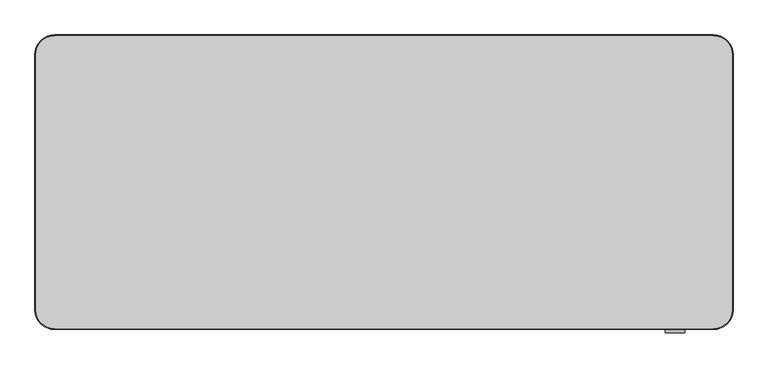
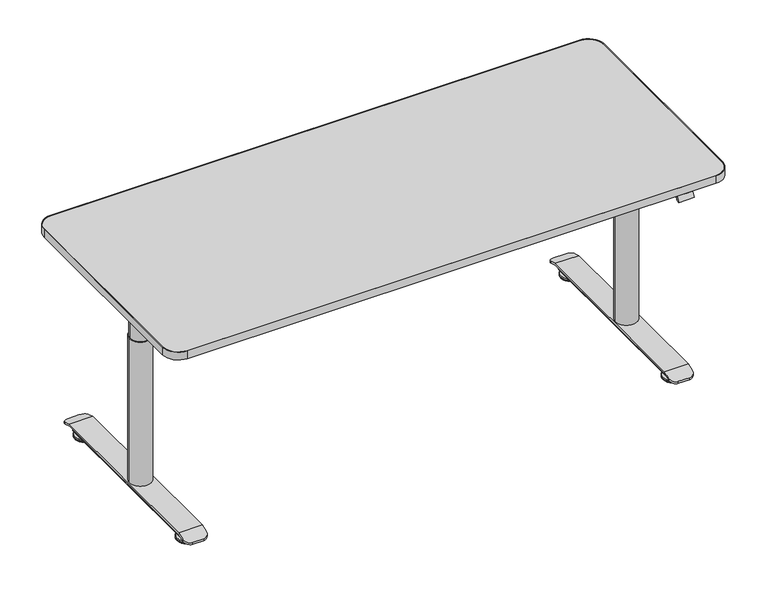
"""IFC4 building model written with IfcOpenShell, lengths in millimetres: furniture geometry."""

from ifc_helpers import new_model, si_unit, point, frame, frame_2d, origin, place, context, project, spatial, polyline, circle_curve, ellipse_curve, trimmed, segment, composite_curve, outline, extrude, source, transform, mapped, element, save
from ifc_brep_helpers import plane_surface, cylinder_surface, revolved_surface, advanced_brep


def furniture_08da9019(model_context):
    return source(origin(), model_context, "Body", "SolidModel", [
        extrude(outline(composite_curve([segment(polyline([(62.5, -50.0), (1737.5, -50.0)]), True, "CONTINUOUS"), segment(trimmed(circle_curve(frame_2d((1737.5, -100.0)), 50.0), [point((1737.5, -50.0))], [point((1787.5, -100.0))], False, "CARTESIAN"), True, "CONTINUOUS"), segment(polyline([(1787.5, -100.0), (1787.5, -750.0)]), True, "CONTINUOUS"), segment(trimmed(circle_curve(frame_2d((1737.5, -750.0)), 50.0), [point((1787.5, -750.0))], [point((1737.5, -800.0))], False, "CARTESIAN"), True, "CONTINUOUS"), segment(polyline([(1737.5, -800.0), (62.5, -800.0)]), True, "CONTINUOUS"), segment(trimmed(circle_curve(frame_2d((62.5, -750.0)), 50.0), [point((62.5, -800.0))], [point((12.5, -750.0))], False, "CARTESIAN"), True, "CONTINUOUS"), segment(polyline([(12.5, -750.0), (12.5, -100.0)]), True, "CONTINUOUS"), segment(trimmed(circle_curve(frame_2d((62.5, -100.0)), 50.0), [point((12.5, -100.0))], [point((62.5, -50.0))], False, "CARTESIAN"), True, "CONTINUOUS")], self_intersect=False), holes=[composite_curve([segment(trimmed(circle_curve(frame_2d((62.5, -100.0)), 48.0), [point((62.5, -52.0))], [point((14.5, -100.0))], True, "CARTESIAN"), True, "CONTINUOUS"), segment(polyline([(14.5, -100.0), (14.5, -750.0)]), True, "CONTINUOUS"), segment(trimmed(circle_curve(frame_2d((62.5, -750.0)), 48.0), [point((14.5, -750.0))], [point((62.5, -798.0))], True, "CARTESIAN"), True, "CONTINUOUS"), segment(polyline([(62.5, -798.0), (1737.5, -798.0)]), True, "CONTINUOUS"), segment(trimmed(circle_curve(frame_2d((1737.5, -750.0)), 48.0), [point((1737.5, -798.0))], [point((1785.5, -750.0))], True, "CARTESIAN"), True, "CONTINUOUS"), segment(polyline([(1785.5, -750.0), (1785.5, -100.0)]), True, "CONTINUOUS"), segment(trimmed(circle_curve(frame_2d((1737.5, -100.0)), 48.0), [point((1785.5, -100.0))], [point((1737.5, -52.0))], True, "CARTESIAN"), True, "CONTINUOUS"), segment(polyline([(1737.5, -52.0), (62.5, -52.0)]), True, "CONTINUOUS")], self_intersect=False)]), frame((0.0, 0.0, 695.0), z_axis=(0.0, 0.0, 1.0), x_axis=(1.0, 0.0, 0.0)), (0.0, 0.0, 1.0), 25.5),
        extrude(outline(composite_curve([segment(polyline([(62.5, -52.0), (1737.5, -52.0)]), True, "CONTINUOUS"), segment(trimmed(circle_curve(frame_2d((1737.5, -100.0)), 48.0), [point((1737.5, -52.0))], [point((1785.5, -100.0))], False, "CARTESIAN"), True, "CONTINUOUS"), segment(polyline([(1785.5, -100.0), (1785.5, -750.0)]), True, "CONTINUOUS"), segment(trimmed(circle_curve(frame_2d((1737.5, -750.0)), 48.0), [point((1785.5, -750.0))], [point((1737.5, -798.0))], False, "CARTESIAN"), True, "CONTINUOUS"), segment(polyline([(1737.5, -798.0), (62.5, -798.0)]), True, "CONTINUOUS"), segment(trimmed(circle_curve(frame_2d((62.5, -750.0)), 48.0), [point((62.5, -798.0))], [point((14.5, -750.0))], False, "CARTESIAN"), True, "CONTINUOUS"), segment(polyline([(14.5, -750.0), (14.5, -100.0)]), True, "CONTINUOUS"), segment(trimmed(circle_curve(frame_2d((62.5, -100.0)), 48.0), [point((14.5, -100.0))], [point((62.5, -52.0))], False, "CARTESIAN"), True, "CONTINUOUS")], self_intersect=False)), frame((0.0, 0.0, 695.0), z_axis=(0.0, 0.0, 1.0), x_axis=(1.0, 0.0, 0.0)), (0.0, 0.0, 1.0), 25.0),
        extrude(outline(composite_curve([segment(trimmed(circle_curve(frame_2d((130.0, -425.0)), 28.0), [point((102.0, -425.0))], [point((158.0, -425.0))], False, "CARTESIAN"), True, "CONTINUOUS"), segment(trimmed(circle_curve(frame_2d((130.0, -425.0)), 28.0), [point((158.0, -425.0))], [point((102.0, -425.0))], False, "CARTESIAN"), True, "CONTINUOUS")], self_intersect=False)), frame((0.0, 0.0, 580.0), z_axis=(0.0, 0.0, 1.0), x_axis=(1.0, 0.0, 0.0)), (0.0, 0.0, 1.0), 57.0),
        extrude(outline(composite_curve([segment(trimmed(circle_curve(frame_2d((1670.0, -425.0)), 28.0), [point((1642.0, -425.0))], [point((1698.0, -425.0))], False, "CARTESIAN"), True, "CONTINUOUS"), segment(trimmed(circle_curve(frame_2d((1670.0, -425.0)), 28.0), [point((1698.0, -425.0))], [point((1642.0, -425.0))], False, "CARTESIAN"), True, "CONTINUOUS")], self_intersect=False)), frame((0.0, 0.0, 580.0), z_axis=(0.0, 0.0, 1.0), x_axis=(1.0, 0.0, 0.0)), (0.0, 0.0, 1.0), 57.0),
        extrude(outline(composite_curve([segment(trimmed(circle_curve(frame_2d((130.0, -425.0)), 32.0), [point((98.0, -425.0))], [point((162.0, -425.0))], False, "CARTESIAN"), True, "CONTINUOUS"), segment(trimmed(circle_curve(frame_2d((130.0, -425.0)), 32.0), [point((162.0, -425.0))], [point((98.0, -425.0))], False, "CARTESIAN"), True, "CONTINUOUS")], self_intersect=False)), frame((0.0, 0.0, 523.0), z_axis=(0.0, 0.0, 1.0), x_axis=(1.0, 0.0, 0.0)), (0.0, 0.0, 1.0), 57.0),
        extrude(outline(composite_curve([segment(trimmed(circle_curve(frame_2d((1670.0, -425.0)), 32.0), [point((1638.0, -425.0))], [point((1702.0, -425.0))], False, "CARTESIAN"), True, "CONTINUOUS"), segment(trimmed(circle_curve(frame_2d((1670.0, -425.0)), 32.0), [point((1702.0, -425.0))], [point((1638.0, -425.0))], False, "CARTESIAN"), True, "CONTINUOUS")], self_intersect=False)), frame((0.0, 0.0, 523.0), z_axis=(0.0, 0.0, 1.0), x_axis=(1.0, 0.0, 0.0)), (0.0, 0.0, 1.0), 57.0),
        extrude(outline(polyline([(-800.0, 695.0), (-782.0, 695.0), (-782.0, 689.0), (-794.0557281, 689.0), (-799.0557281, 679.0), (-808.0, 679.0), (-800.0, 695.0)])), frame((1615.0, 0.0, 0.0), z_axis=(1.0, 0.0, 0.0), x_axis=(0.0, 1.0, 0.0)), (0.0, 0.0, 1.0), 50.0),
        advanced_brep(
        [(167.5, -100.3774673, 39.9487289), (92.5, -100.3774673, 39.9487289), (92.5, -699.6225327, 39.9487289), (167.5, -699.6225327, 39.9487289), (92.5, -722.0, 32.7380106), (112.5, -742.0, 26.2933865), (147.5, -742.0, 26.2933865), (167.5, -722.0, 32.7380106), (92.5, -698.6796418, 33.9487272), (167.5, -698.6796418, 33.9487272), (167.5, -722.0, 26.4341856), (147.5, -742.0, 19.9895661), (112.5, -742.0, 19.9895661), (92.5, -722.0, 26.4341856), (92.5, -101.3203582, 33.9487272), (167.5, -101.3203582, 33.9487272), (92.5, -78.0, 26.4341856), (112.5, -58.0, 19.9895661), (147.5, -58.0, 19.9895661), (167.5, -78.0, 26.4341856), (167.5, -78.0, 32.7380106), (147.5, -58.0, 26.2933865), (112.5, -58.0, 26.2933865), (92.5, -78.0, 32.7380106)],
        [
            (0, 1),
            (1, 2),
            (2, 3),
            (3, 0),
            (2, 4),
            (4, 5, ellipse_curve(frame((112.5, -722.0, 32.7380106), z_axis=(0.0, -0.30670151340294566, 0.9518057478689351), x_axis=(0.0, -0.9518057478689352, -0.30670151340294527)), 21.0126909, 20.0)),
            (5, 6),
            (6, 7, ellipse_curve(frame((147.5, -722.0, 32.7380106), z_axis=(0.0, -0.30670151340294566, 0.9518057478689351), x_axis=(0.0, -0.9518057478689352, -0.30670151340294527)), 21.0126909, 20.0)),
            (7, 3),
            (8, 9),
            (9, 10),
            (10, 11, ellipse_curve(frame((147.5, -722.0, 26.4341856), z_axis=(0.0, 0.30670131168672654, -0.9518058128681719), x_axis=(0.0, -0.951805812868172, -0.3067013116867264)), 21.0126895, 20.0)),
            (11, 12),
            (12, 13, ellipse_curve(frame((112.5, -722.0, 26.4341856), z_axis=(0.0, 0.30670131168672654, -0.9518058128681719), x_axis=(0.0, -0.951805812868172, -0.3067013116867264)), 21.0126895, 20.0)),
            (13, 8),
            (8, 14),
            (14, 15),
            (15, 9),
            (14, 16),
            (16, 17, ellipse_curve(frame((112.5, -78.0, 26.4341856), z_axis=(0.0, -0.30670131168675874, -0.9518058128681615), x_axis=(0.0, 0.9518058128681616, -0.30670131168675896)), 21.0126895, 20.0)),
            (17, 18),
            (18, 19, ellipse_curve(frame((147.5, -78.0, 26.4341856), z_axis=(0.0, -0.30670131168675874, -0.9518058128681615), x_axis=(0.0, 0.9518058128681616, -0.30670131168675896)), 21.0126895, 20.0)),
            (19, 15),
            (0, 20),
            (20, 21, ellipse_curve(frame((147.5, -78.0, 32.7380106), z_axis=(0.0, 0.3067015134029424, 0.9518057478689361), x_axis=(0.0, 0.951805747868936, -0.3067015134029423)), 21.0126909, 20.0)),
            (21, 22),
            (22, 23, ellipse_curve(frame((112.5, -78.0, 32.7380106), z_axis=(0.0, 0.3067015134029424, 0.9518057478689361), x_axis=(0.0, 0.951805747868936, -0.3067015134029423)), 21.0126909, 20.0)),
            (23, 1),
            (19, 20),
            (7, 10),
            (11, 6),
            (5, 12),
            (13, 4),
            (23, 16),
            (17, 22),
            (21, 18),
        ],
        [
            plane_surface(frame((1800.0, -100.3774673, 39.9487289), z_axis=(0.0, 0.0, 1.0), x_axis=(-1.0, 0.0, 0.0))),
            plane_surface(frame((1800.0, -699.6225327, 39.9487289), z_axis=(0.0, -0.30670151340294566, 0.9518057478689351), x_axis=(-1.0, 0.0, 0.0))),
            plane_surface(frame((1800.0, -800.0, 1.3001698), z_axis=(0.0, 0.30670131168672654, -0.9518058128681719), x_axis=(-1.0, 0.0, 0.0))),
            plane_surface(frame((1800.0, -698.6796418, 33.9487272), z_axis=(0.0, 0.0, -1.0), x_axis=(-1.0, 0.0, 0.0))),
            plane_surface(frame((1800.0, -101.3203582, 33.9487272), z_axis=(0.0, -0.30670131168675874, -0.9518058128681615), x_axis=(-1.0, 0.0, 0.0))),
            plane_surface(frame((1800.0, 0.0, 7.6039766), z_axis=(0.0, 0.3067015134029424, 0.9518057478689361), x_axis=(-1.0, 0.0, 0.0))),
            plane_surface(frame((167.5, -78.0, 90.0), z_axis=(1.0, 0.0, 0.0), x_axis=(0.0, 0.0, -1.0))),
            plane_surface(frame((147.5, -742.0, 90.0), z_axis=(0.0, -1.0, 0.0), x_axis=(0.0, 0.0, -1.0))),
            plane_surface(frame((92.5, -722.0, 90.0), z_axis=(-1.0, 0.0, 0.0), x_axis=(0.0, 0.0, -1.0))),
            plane_surface(frame((112.5, -58.0, 90.0), z_axis=(0.0, 1.0, 0.0), x_axis=(0.0, 0.0, -1.0))),
            cylinder_surface(frame((147.5, -78.0, 0.0), z_axis=(0.0, 0.0, -1.0), x_axis=(1.0, 0.0, 0.0)), 20.0),
            cylinder_surface(frame((147.5, -722.0, 0.0), z_axis=(0.0, 0.0, -1.0), x_axis=(1.0, 0.0, 0.0)), 20.0),
            cylinder_surface(frame((112.5, -722.0, 0.0), z_axis=(0.0, 0.0, -1.0), x_axis=(1.0, 0.0, 0.0)), 20.0),
            cylinder_surface(frame((112.5, -78.0, 0.0), z_axis=(0.0, 0.0, -1.0), x_axis=(1.0, 0.0, 0.0)), 20.0),
        ],
        [
            (0, [[1, 2, 3, 4]]),
            (1, [[-3, 5, 6, 7, 8, 9]]),
            (2, [[10, 11, 12, 13, 14, 15]]),
            (3, [[-10, 16, 17, 18]]),
            (4, [[-17, 19, 20, 21, 22, 23]]),
            (5, [[-1, 24, 25, 26, 27, 28]]),
            (6, [[29, -24, -4, -9, 30, -11, -18, -23]]),
            (7, [[31, -7, 32, -13]]),
            (8, [[33, -5, -2, -28, 34, -19, -16, -15]]),
            (9, [[35, -26, 36, -21]]),
            (10, [[-29, -22, -36, -25]]),
            (11, [[-31, -12, -30, -8]]),
            (12, [[-33, -14, -32, -6]]),
            (13, [[-35, -20, -34, -27]]),
        ],
    ),
        advanced_brep(
        [(1707.5, -100.3774673, 39.9487289), (1632.5, -100.3774673, 39.9487289), (1632.5, -699.6225327, 39.9487289), (1707.5, -699.6225327, 39.9487289), (1632.5, -722.0, 32.7380106), (1652.5, -742.0, 26.2933865), (1687.5, -742.0, 26.2933865), (1707.5, -722.0, 32.7380106), (1632.5, -698.6796418, 33.9487272), (1707.5, -698.6796418, 33.9487272), (1707.5, -722.0, 26.4341856), (1687.5, -742.0, 19.9895661), (1652.5, -742.0, 19.9895661), (1632.5, -722.0, 26.4341856), (1632.5, -101.3203582, 33.9487272), (1707.5, -101.3203582, 33.9487272), (1632.5, -78.0, 26.4341856), (1652.5, -58.0, 19.9895661), (1687.5, -58.0, 19.9895661), (1707.5, -78.0, 26.4341856), (1707.5, -78.0, 32.7380106), (1687.5, -58.0, 26.2933865), (1652.5, -58.0, 26.2933865), (1632.5, -78.0, 32.7380106)],
        [
            (0, 1),
            (1, 2),
            (2, 3),
            (3, 0),
            (2, 4),
            (4, 5, ellipse_curve(frame((1652.5, -722.0, 32.7380106), z_axis=(0.0, -0.30670151340294566, 0.9518057478689351), x_axis=(0.0, -0.9518057478689352, -0.30670151340294527)), 21.0126909, 20.0)),
            (5, 6),
            (6, 7, ellipse_curve(frame((1687.5, -722.0, 32.7380106), z_axis=(0.0, -0.30670151340294566, 0.9518057478689351), x_axis=(0.0, -0.9518057478689352, -0.30670151340294527)), 21.0126909, 20.0)),
            (7, 3),
            (8, 9),
            (9, 10),
            (10, 11, ellipse_curve(frame((1687.5, -722.0, 26.4341856), z_axis=(0.0, 0.30670131168672654, -0.9518058128681719), x_axis=(0.0, -0.951805812868172, -0.3067013116867264)), 21.0126895, 20.0)),
            (11, 12),
            (12, 13, ellipse_curve(frame((1652.5, -722.0, 26.4341856), z_axis=(0.0, 0.30670131168672654, -0.9518058128681719), x_axis=(0.0, -0.951805812868172, -0.3067013116867264)), 21.0126895, 20.0)),
            (13, 8),
            (8, 14),
            (14, 15),
            (15, 9),
            (14, 16),
            (16, 17, ellipse_curve(frame((1652.5, -78.0, 26.4341856), z_axis=(0.0, -0.30670131168675874, -0.9518058128681615), x_axis=(0.0, 0.9518058128681616, -0.30670131168675896)), 21.0126895, 20.0)),
            (17, 18),
            (18, 19, ellipse_curve(frame((1687.5, -78.0, 26.4341856), z_axis=(0.0, -0.30670131168675874, -0.9518058128681615), x_axis=(0.0, 0.9518058128681616, -0.30670131168675896)), 21.0126895, 20.0)),
            (19, 15),
            (0, 20),
            (20, 21, ellipse_curve(frame((1687.5, -78.0, 32.7380106), z_axis=(0.0, 0.3067015134029424, 0.9518057478689361), x_axis=(0.0, 0.951805747868936, -0.3067015134029423)), 21.0126909, 20.0)),
            (21, 22),
            (22, 23, ellipse_curve(frame((1652.5, -78.0, 32.7380106), z_axis=(0.0, 0.3067015134029424, 0.9518057478689361), x_axis=(0.0, 0.951805747868936, -0.3067015134029423)), 21.0126909, 20.0)),
            (23, 1),
            (17, 22),
            (21, 18),
            (20, 19),
            (7, 10),
            (6, 11),
            (5, 12),
            (4, 13),
            (23, 16),
        ],
        [
            plane_surface(frame((1800.0, -100.3774673, 39.9487289), z_axis=(0.0, 0.0, 1.0), x_axis=(-1.0, 0.0, 0.0))),
            plane_surface(frame((1800.0, -699.6225327, 39.9487289), z_axis=(0.0, -0.30670151340294566, 0.9518057478689351), x_axis=(-1.0, 0.0, 0.0))),
            plane_surface(frame((1800.0, -800.0, 1.3001698), z_axis=(0.0, 0.30670131168672654, -0.9518058128681719), x_axis=(-1.0, 0.0, 0.0))),
            plane_surface(frame((1800.0, -698.6796418, 33.9487272), z_axis=(0.0, 0.0, -1.0), x_axis=(-1.0, 0.0, 0.0))),
            plane_surface(frame((1800.0, -101.3203582, 33.9487272), z_axis=(0.0, -0.30670131168675874, -0.9518058128681615), x_axis=(-1.0, 0.0, 0.0))),
            plane_surface(frame((1800.0, 0.0, 7.6039766), z_axis=(0.0, 0.3067015134029424, 0.9518057478689361), x_axis=(-1.0, 0.0, 0.0))),
            plane_surface(frame((1652.5, -58.0, 90.0), z_axis=(3.769247771044082e-12, 1.0, 0.0), x_axis=(0.0, 0.0, -1.0))),
            cylinder_surface(frame((1687.5, -78.0, 0.0), z_axis=(0.0, 0.0, -1.0), x_axis=(1.0, 0.0, 0.0)), 20.0),
            plane_surface(frame((1707.5, -78.0, 90.0), z_axis=(1.0, 0.0, 0.0), x_axis=(0.0, 0.0, -1.0))),
            cylinder_surface(frame((1687.5, -722.0, 0.0), z_axis=(0.0, 0.0, -1.0), x_axis=(1.0, 0.0, 0.0)), 20.0),
            plane_surface(frame((1687.5, -742.0, 90.0), z_axis=(2.8463935970125964e-12, -1.0, 0.0), x_axis=(0.0, 0.0, -1.0))),
            cylinder_surface(frame((1652.5, -722.0, 0.0), z_axis=(0.0, 0.0, -1.0), x_axis=(1.0, 0.0, 0.0)), 20.0),
            plane_surface(frame((1632.5, -722.0, 90.0), z_axis=(-1.0, 0.0, 0.0), x_axis=(0.0, 0.0, -1.0))),
            cylinder_surface(frame((1652.5, -78.0, 0.0), z_axis=(0.0, 0.0, -1.0), x_axis=(1.0, 0.0, 0.0)), 20.0),
        ],
        [
            (0, [[1, 2, 3, 4]]),
            (1, [[-3, 5, 6, 7, 8, 9]]),
            (2, [[10, 11, 12, 13, 14, 15]]),
            (3, [[-10, 16, 17, 18]]),
            (4, [[-17, 19, 20, 21, 22, 23]]),
            (5, [[-1, 24, 25, 26, 27, 28]]),
            (6, [[29, -26, 30, -21]]),
            (7, [[-30, -25, 31, -22]]),
            (8, [[-31, -24, -4, -9, 32, -11, -18, -23]]),
            (9, [[-32, -8, 33, -12]]),
            (10, [[-33, -7, 34, -13]]),
            (11, [[-34, -6, 35, -14]]),
            (12, [[-35, -5, -2, -28, 36, -19, -16, -15]]),
            (13, [[-29, -20, -36, -27]]),
        ],
    ),
        extrude(outline(composite_curve([segment(trimmed(circle_curve(frame_2d((130.0, -425.0)), 35.0), [point((95.0, -425.0))], [point((165.0, -425.0))], False, "CARTESIAN"), True, "CONTINUOUS"), segment(trimmed(circle_curve(frame_2d((130.0, -425.0)), 35.0), [point((165.0, -425.0))], [point((95.0, -425.0))], False, "CARTESIAN"), True, "CONTINUOUS")], self_intersect=False)), frame((0.0, 0.0, 39.9487289), z_axis=(0.0, 0.0, 1.0), x_axis=(1.0, 0.0, 0.0)), (0.0, 0.0, 1.0), 483.0512711),
        extrude(outline(composite_curve([segment(trimmed(circle_curve(frame_2d((1670.0, -425.0)), 35.0), [point((1635.0, -425.0))], [point((1705.0, -425.0))], False, "CARTESIAN"), True, "CONTINUOUS"), segment(trimmed(circle_curve(frame_2d((1670.0, -425.0)), 35.0), [point((1705.0, -425.0))], [point((1635.0, -425.0))], False, "CARTESIAN"), True, "CONTINUOUS")], self_intersect=False)), frame((0.0, 0.0, 39.9487289), z_axis=(0.0, 0.0, 1.0), x_axis=(1.0, 0.0, 0.0)), (0.0, 0.0, 1.0), 483.0512711),
        advanced_brep(
        [(106.0, -694.9970669, 15.948729), (154.0, -694.9970669, 15.948729), (160.0, -694.9970669, 21.948729), (160.0, -694.9970669, 33.9487272), (100.0, -694.9970669, 33.9487272), (100.0, -694.9970669, 21.948729), (106.0, -105.0, 15.948729), (100.0, -105.0, 21.948729), (100.0, -105.0, 33.9487272), (160.0, -105.0, 33.9487272), (160.0, -105.0, 21.948729), (154.0, -105.0, 15.948729), (160.0, -395.0019514, 21.948729), (159.6568536, -395.0019514, 19.9487272), (159.6568536, -454.9980486, 19.9487272), (160.0, -454.9980486, 21.948729), (160.0, -454.9980486, 33.9487272), (160.0, -395.0019514, 33.9487272), (100.0, -454.9980486, 33.9487272), (100.0, -395.0019514, 33.9487272), (100.0, -454.9980486, 21.948729), (100.0, -395.0019514, 21.948729), (100.3431464, -454.9980486, 19.9487272), (100.3431464, -395.0019514, 19.9487272)],
        [
            (0, 1),
            (1, 2, circle_curve(frame((154.0, -694.9970669, 21.948729), z_axis=(0.0, -1.0, 0.0), x_axis=(1.0, 0.0, 0.0)), 6.0)),
            (2, 3),
            (3, 4),
            (4, 5),
            (5, 0, circle_curve(frame((106.0, -694.9970669, 21.948729), z_axis=(0.0, -1.0, 0.0), x_axis=(1.0, 0.0, 0.0)), 6.0)),
            (6, 7, circle_curve(frame((106.0, -105.0, 21.948729), z_axis=(0.0, 1.0, 0.0), x_axis=(1.0, 0.0, 0.0)), 6.0)),
            (7, 8),
            (8, 9),
            (9, 10),
            (10, 11, circle_curve(frame((154.0, -105.0, 21.948729), z_axis=(0.0, 1.0, 0.0), x_axis=(1.0, 0.0, 0.0)), 6.0)),
            (11, 6),
            (0, 6),
            (11, 1),
            (10, 12),
            (12, 13, circle_curve(frame((154.0, -395.0019514, 21.948729), z_axis=(0.0, 1.0, 0.0), x_axis=(1.0, 0.0, 0.0)), 6.0)),
            (13, 14),
            (14, 15, circle_curve(frame((154.0, -454.9980486, 21.948729), z_axis=(0.0, -1.0, 0.0), x_axis=(1.0, 0.0, 0.0)), 6.0)),
            (15, 2),
            (15, 16),
            (16, 3),
            (9, 17),
            (17, 12),
            (16, 18),
            (18, 4),
            (8, 19),
            (19, 17),
            (18, 20),
            (20, 5),
            (7, 21),
            (21, 19),
            (20, 22, circle_curve(frame((106.0, -454.9980486, 21.948729), z_axis=(0.0, -1.0, 0.0), x_axis=(1.0, 0.0, 0.0)), 6.0)),
            (22, 23),
            (23, 21, circle_curve(frame((106.0, -395.0019514, 21.948729), z_axis=(0.0, 1.0, 0.0), x_axis=(1.0, 0.0, 0.0)), 6.0)),
            (14, 22),
            (13, 23),
        ],
        [
            plane_surface(frame((154.0244057, -694.9970669, 15.948729), z_axis=(0.0, -1.0, 0.0), x_axis=(1.0, 0.0, 0.0))),
            plane_surface(frame((154.0244057, -105.0, 15.948729), z_axis=(0.0, 1.0, 0.0), x_axis=(-1.0, 0.0, 0.0))),
            plane_surface(frame((106.0, -694.9970669, 15.948729), z_axis=(0.0, 0.0, -1.0), x_axis=(0.0, 1.0, 0.0))),
            cylinder_surface(frame((154.0, -105.0, 21.948729), z_axis=(0.0, -1.0, 0.0), x_axis=(1.0, 0.0, 0.0)), 6.0),
            plane_surface(frame((160.0, -694.9970669, 21.948729), z_axis=(1.0, 0.0, 0.0), x_axis=(0.0, 1.0, 0.0))),
            plane_surface(frame((160.0, -694.9970669, 33.9487272), z_axis=(0.0, 0.0, 1.0), x_axis=(0.0, 1.0, 0.0))),
            plane_surface(frame((100.0, -694.9970669, 33.9487272), z_axis=(-1.0, 0.0, 0.0), x_axis=(0.0, 1.0, 0.0))),
            cylinder_surface(frame((106.0, -105.0, 21.948729), z_axis=(0.0, -1.0, 0.0), x_axis=(1.0, 0.0, 0.0)), 6.0),
            plane_surface(frame((1800.0, -454.9980486, 33.9487272), z_axis=(0.0, 1.0, 0.0), x_axis=(-1.0, 0.0, 0.0))),
            plane_surface(frame((1800.0, -454.9980486, 19.9487272), z_axis=(0.0, 0.0, 1.0), x_axis=(-1.0, 0.0, 0.0))),
            plane_surface(frame((1800.0, -395.0019514, 19.9487272), z_axis=(0.0, -1.0, 0.0), x_axis=(-1.0, 0.0, 0.0))),
        ],
        [
            (0, [[1, 2, 3, 4, 5, 6]]),
            (1, [[7, 8, 9, 10, 11, 12]]),
            (2, [[-1, 13, -12, 14]]),
            (3, [[-2, -14, -11, 15, 16, 17, 18, 19]]),
            (4, [[-3, -19, 20, 21]]),
            (4, [[-10, 22, 23, -15]]),
            (5, [[-4, -21, 24, 25]]),
            (5, [[-9, 26, 27, -22]]),
            (6, [[-5, -25, 28, 29]]),
            (6, [[-8, 30, 31, -26]]),
            (7, [[-6, -29, 32, 33, 34, -30, -7, -13]]),
            (8, [[35, -32, -28, -24, -20, -18]]),
            (9, [[-35, -17, 36, -33]]),
            (10, [[-36, -16, -23, -27, -31, -34]]),
        ],
    ),
        advanced_brep(
        [(1694.0, -694.9970669, 15.948729), (1700.0, -694.9970669, 21.948729), (1700.0, -694.9970669, 33.9487272), (1640.0, -694.9970669, 33.9487272), (1640.0, -694.9970669, 21.948729), (1646.0, -694.9970669, 15.948729), (1694.0, -105.0, 15.948729), (1646.0, -105.0, 15.948729), (1640.0, -105.0, 21.948729), (1640.0, -105.0, 33.9487272), (1700.0, -105.0, 33.9487272), (1700.0, -105.0, 21.948729), (1700.0, -395.0019514, 21.948729), (1699.6568536, -395.0019514, 19.9487272), (1699.6568536, -454.9980486, 19.9487272), (1700.0, -454.9980486, 21.948729), (1700.0, -454.9980486, 33.9487272), (1700.0, -395.0019514, 33.9487272), (1640.0, -454.9980486, 33.9487272), (1640.0, -395.0019514, 33.9487272), (1640.0, -454.9980486, 21.948729), (1640.0, -395.0019514, 21.948729), (1640.3431464, -454.9980486, 19.9487272), (1640.3431464, -395.0019514, 19.9487272)],
        [
            (0, 1, circle_curve(frame((1694.0, -694.9970669, 21.948729), z_axis=(0.0, -1.0, 0.0), x_axis=(1.0, 0.0, 0.0)), 6.0)),
            (1, 2),
            (2, 3),
            (3, 4),
            (4, 5, circle_curve(frame((1646.0, -694.9970669, 21.948729), z_axis=(0.0, -1.0, 0.0), x_axis=(1.0, 0.0, 0.0)), 6.0)),
            (5, 0),
            (6, 7),
            (7, 8, circle_curve(frame((1646.0, -105.0, 21.948729), z_axis=(0.0, 1.0, 0.0), x_axis=(1.0, 0.0, 0.0)), 6.0)),
            (8, 9),
            (9, 10),
            (10, 11),
            (11, 6, circle_curve(frame((1694.0, -105.0, 21.948729), z_axis=(0.0, 1.0, 0.0), x_axis=(1.0, 0.0, 0.0)), 6.0)),
            (0, 6),
            (11, 12),
            (12, 13, circle_curve(frame((1694.0, -395.0019514, 21.948729), z_axis=(0.0, 1.0, 0.0), x_axis=(1.0, 0.0, 0.0)), 6.0)),
            (13, 14),
            (14, 15, circle_curve(frame((1694.0, -454.9980486, 21.948729), z_axis=(0.0, -1.0, 0.0), x_axis=(1.0, 0.0, 0.0)), 6.0)),
            (15, 1),
            (15, 16),
            (16, 2),
            (10, 17),
            (17, 12),
            (16, 18),
            (18, 3),
            (9, 19),
            (19, 17),
            (18, 20),
            (20, 4),
            (8, 21),
            (21, 19),
            (20, 22, circle_curve(frame((1646.0, -454.9980486, 21.948729), z_axis=(0.0, -1.0, 0.0), x_axis=(1.0, 0.0, 0.0)), 6.0)),
            (22, 23),
            (23, 21, circle_curve(frame((1646.0, -395.0019514, 21.948729), z_axis=(0.0, 1.0, 0.0), x_axis=(1.0, 0.0, 0.0)), 6.0)),
            (7, 5),
            (14, 22),
            (13, 23),
        ],
        [
            plane_surface(frame((154.0244057, -694.9970669, 15.948729), z_axis=(0.0, -1.0, 0.0), x_axis=(1.0, 0.0, 0.0))),
            plane_surface(frame((154.0244057, -105.0, 15.948729), z_axis=(0.0, 1.0, 0.0), x_axis=(-1.0, 0.0, 0.0))),
            cylinder_surface(frame((1694.0, 0.0, 21.948729), z_axis=(0.0, -1.0, 0.0), x_axis=(1.0, 0.0, 0.0)), 6.0),
            plane_surface(frame((1700.0, -694.9970669, 21.948729), z_axis=(1.0, 0.0, 0.0), x_axis=(0.0, 1.0, 0.0))),
            plane_surface(frame((1700.0, -694.9970669, 33.9487272), z_axis=(0.0, 0.0, 1.0), x_axis=(0.0, 1.0, 0.0))),
            plane_surface(frame((1640.0, -694.9970669, 33.9487272), z_axis=(-1.0, 0.0, 0.0), x_axis=(0.0, 1.0, 0.0))),
            cylinder_surface(frame((1646.0, 0.0, 21.948729), z_axis=(0.0, -1.0, 0.0), x_axis=(1.0, 0.0, 0.0)), 6.0),
            plane_surface(frame((1646.0, -694.9970669, 15.948729), z_axis=(0.0, 0.0, -1.0), x_axis=(0.0, 1.0, 0.0))),
            plane_surface(frame((1800.0, -454.9980486, 33.9487272), z_axis=(0.0, 1.0, 0.0), x_axis=(-1.0, 0.0, 0.0))),
            plane_surface(frame((1800.0, -454.9980486, 19.9487272), z_axis=(0.0, 0.0, 1.0), x_axis=(-1.0, 0.0, 0.0))),
            plane_surface(frame((1800.0, -395.0019514, 19.9487272), z_axis=(0.0, -1.0, 0.0), x_axis=(-1.0, 0.0, 0.0))),
        ],
        [
            (0, [[1, 2, 3, 4, 5, 6]]),
            (1, [[7, 8, 9, 10, 11, 12]]),
            (2, [[-1, 13, -12, 14, 15, 16, 17, 18]]),
            (3, [[-2, -18, 19, 20]]),
            (3, [[-11, 21, 22, -14]]),
            (4, [[-3, -20, 23, 24]]),
            (4, [[-10, 25, 26, -21]]),
            (5, [[-4, -24, 27, 28]]),
            (5, [[-9, 29, 30, -25]]),
            (6, [[-5, -28, 31, 32, 33, -29, -8, 34]]),
            (7, [[-6, -34, -7, -13]]),
            (8, [[35, -31, -27, -23, -19, -17]]),
            (9, [[-35, -16, 36, -32]]),
            (10, [[-36, -15, -22, -26, -30, -33]]),
        ],
    ),
        advanced_brep(
        [(1670.0, -127.5107401, 16.0), (1670.0, -112.4892599, 16.0), (1670.0, -120.0, 16.0), (1670.0, -127.5107401, 11.0079394), (1670.0, -112.4892599, 11.0079394), (1670.0, -129.3364286, 9.01555), (1670.0, -110.6635714, 9.01555), (1670.0, -150.1850516, 7.1915319), (1670.0, -89.8149484, 7.1915319), (1670.0, -152.0107401, 5.1991425), (1670.0, -87.9892599, 5.1991425), (1670.0, -152.0107401, 2.0), (1670.0, -87.9892599, 2.0), (1670.0, -150.0107401, 0.0), (1670.0, -89.9892599, 0.0), (1670.0, -120.0, 0.0)],
        [
            (0, 1, circle_curve(frame((1670.0, -120.0, 16.0), z_axis=(0.0, 0.0, 1.0), x_axis=(0.0, 1.0, 0.0)), 7.5107401)),
            (1, 2),
            (2, 0),
            (1, 0, circle_curve(frame((1670.0, -120.0, 16.0), z_axis=(0.0, 0.0, 1.0), x_axis=(0.0, 1.0, 0.0)), 7.5107401)),
            (3, 4, circle_curve(frame((1670.0, -120.0, 11.0079394), z_axis=(0.0, 0.0, 1.0), x_axis=(0.0, 1.0, 0.0)), 7.5107401)),
            (4, 1),
            (0, 3),
            (4, 3, circle_curve(frame((1670.0, -120.0, 11.0079394), z_axis=(0.0, 0.0, 1.0), x_axis=(0.0, 1.0, 0.0)), 7.5107401)),
            (5, 6, circle_curve(frame((1670.0, -120.0, 9.01555), z_axis=(0.0, 0.0, 1.0), x_axis=(0.0, 1.0, 0.0)), 9.3364286)),
            (6, 4, circle_curve(frame((1670.0, -110.4892599, 11.0079394), z_axis=(-1.0, 0.0, 0.0), x_axis=(0.0, 0.0, 1.0)), 2.0)),
            (3, 5, circle_curve(frame((1670.0, -129.5107401, 11.0079394), z_axis=(-1.0, 0.0, 0.0), x_axis=(0.0, 0.0, 1.0)), 2.0)),
            (6, 5, circle_curve(frame((1670.0, -120.0, 9.01555), z_axis=(0.0, 0.0, 1.0), x_axis=(0.0, 1.0, 0.0)), 9.3364286)),
            (7, 8, circle_curve(frame((1670.0, -120.0, 7.1915319), z_axis=(0.0, 0.0, 1.0), x_axis=(0.0, 1.0, 0.0)), 30.1850516)),
            (8, 6),
            (5, 7),
            (8, 7, circle_curve(frame((1670.0, -120.0, 7.1915319), z_axis=(0.0, 0.0, 1.0), x_axis=(0.0, 1.0, 0.0)), 30.1850516)),
            (9, 10, circle_curve(frame((1670.0, -120.0, 5.1991425), z_axis=(0.0, 0.0, 1.0), x_axis=(0.0, 1.0, 0.0)), 32.0107401)),
            (10, 8, circle_curve(frame((1670.0, -89.9892599, 5.1991425), z_axis=(1.0, 0.0, 0.0), x_axis=(0.0, 0.0, 1.0)), 2.0)),
            (7, 9, circle_curve(frame((1670.0, -150.0107401, 5.1991425), z_axis=(1.0, 0.0, 0.0), x_axis=(0.0, 0.0, 1.0)), 2.0)),
            (10, 9, circle_curve(frame((1670.0, -120.0, 5.1991425), z_axis=(0.0, 0.0, 1.0), x_axis=(0.0, 1.0, 0.0)), 32.0107401)),
            (11, 12, circle_curve(frame((1670.0, -120.0, 2.0), z_axis=(0.0, 0.0, 1.0), x_axis=(0.0, 1.0, 0.0)), 32.0107401)),
            (12, 10),
            (9, 11),
            (12, 11, circle_curve(frame((1670.0, -120.0, 2.0), z_axis=(0.0, 0.0, 1.0), x_axis=(0.0, 1.0, 0.0)), 32.0107401)),
            (13, 14, circle_curve(frame((1670.0, -120.0, 0.0), z_axis=(0.0, 0.0, 1.0), x_axis=(0.0, 1.0, 0.0)), 30.0107401)),
            (14, 12, circle_curve(frame((1670.0, -89.9892599, 2.0), z_axis=(1.0, 0.0, 0.0), x_axis=(0.0, 0.0, 1.0)), 2.0)),
            (11, 13, circle_curve(frame((1670.0, -150.0107401, 2.0), z_axis=(1.0, 0.0, 0.0), x_axis=(0.0, 0.0, 1.0)), 2.0)),
            (14, 13, circle_curve(frame((1670.0, -120.0, 0.0), z_axis=(0.0, 0.0, 1.0), x_axis=(0.0, 1.0, 0.0)), 30.0107401)),
            (15, 14),
            (13, 15),
        ],
        [
            plane_surface(frame((1670.0, -120.0, 16.0), z_axis=(0.0, 0.0, 1.0), x_axis=(0.0, 1.0, 0.0))),
            cylinder_surface(frame((1670.0, -120.0, -4.2498926), z_axis=(0.0, 0.0, -1.0), x_axis=(0.0, 1.0, 0.0)), 7.5107401),
            revolved_surface(trimmed(ellipse_curve(frame((1670.0, -110.4892599, 11.0079394), z_axis=(1.0, 0.0, 0.0), x_axis=(0.0, 0.0, 1.0)), 2.0, 2.0), [point((1670.0, -112.4892599, 11.0079394))], [point((1670.0, -110.6635714, 9.01555))], True, "CARTESIAN"), (1670.0, -120.0, -4.2498926), (0.0, 0.0, -1.0)),
            revolved_surface(polyline([(1670.0, -110.6635714, 9.01555), (1670.0, -89.8149484, 7.1915319)]), (1670.0, -120.0, -4.2498926), (0.0, 0.0, -1.0)),
            revolved_surface(trimmed(ellipse_curve(frame((1670.0, -89.9892599, 5.1991425), z_axis=(-1.0, 0.0, 0.0), x_axis=(0.0, 0.0, 1.0)), 2.0, 2.0), [point((1670.0, -89.8149484, 7.1915319))], [point((1670.0, -87.9892599, 5.1991425))], True, "CARTESIAN"), (1670.0, -120.0, -4.2498926), (0.0, 0.0, -1.0)),
            cylinder_surface(frame((1670.0, -120.0, -4.2498926), z_axis=(0.0, 0.0, -1.0), x_axis=(0.0, 1.0, 0.0)), 32.0107401),
            revolved_surface(trimmed(ellipse_curve(frame((1670.0, -89.9892599, 2.0), z_axis=(-1.0, 0.0, 0.0), x_axis=(0.0, 0.0, 1.0)), 2.0, 2.0), [point((1670.0, -87.9892599, 2.0))], [point((1670.0, -89.9892599, 0.0))], True, "CARTESIAN"), (1670.0, -120.0, -4.2498926), (0.0, 0.0, -1.0)),
            plane_surface(frame((1670.0, -120.0, 0.0), z_axis=(0.0, 0.0, -1.0), x_axis=(0.0, 1.0, 0.0))),
        ],
        [
            (0, [[1, 2, 3]]),
            (0, [[4, -3, -2]]),
            (1, [[5, 6, -1, 7]]),
            (1, [[8, -7, -4, -6]]),
            (2, [[9, 10, -5, 11]]),
            (2, [[12, -11, -8, -10]]),
            (3, [[13, 14, -9, 15]]),
            (3, [[16, -15, -12, -14]]),
            (4, [[17, 18, -13, 19]]),
            (4, [[20, -19, -16, -18]]),
            (5, [[21, 22, -17, 23]]),
            (5, [[24, -23, -20, -22]]),
            (6, [[25, 26, -21, 27]]),
            (6, [[28, -27, -24, -26]]),
            (7, [[29, -25, 30]]),
            (7, [[-30, -28, -29]]),
        ],
    ),
        advanced_brep(
        [(1670.0, -680.0009709, 16.0), (1670.0, -687.5009709, 16.0), (1670.0, -672.5009709, 16.0), (1670.0, -687.5009709, 11.0079394), (1670.0, -672.5009709, 11.0079394), (1670.0, -689.3266595, 9.01555), (1670.0, -670.6752824, 9.01555), (1670.0, -710.1752824, 7.1915319), (1670.0, -649.8266595, 7.1915319), (1670.0, -712.0009709, 5.1991425), (1670.0, -648.0009709, 5.1991425), (1670.0, -712.0009709, 2.0), (1670.0, -648.0009709, 2.0), (1670.0, -710.0009709, 0.0), (1670.0, -650.0009709, 0.0), (1670.0, -680.0009709, 0.0)],
        [
            (0, 1),
            (1, 2, circle_curve(frame((1670.0, -680.0009709, 16.0), z_axis=(0.0, 0.0, 1.0), x_axis=(0.0, -1.0, 0.0)), 7.5)),
            (2, 0),
            (2, 1, circle_curve(frame((1670.0, -680.0009709, 16.0), z_axis=(0.0, 0.0, 1.0), x_axis=(0.0, -1.0, 0.0)), 7.5)),
            (1, 3),
            (3, 4, circle_curve(frame((1670.0, -680.0009709, 11.0079394), z_axis=(0.0, 0.0, 1.0), x_axis=(0.0, -1.0, 0.0)), 7.5)),
            (4, 2),
            (4, 3, circle_curve(frame((1670.0, -680.0009709, 11.0079394), z_axis=(0.0, 0.0, 1.0), x_axis=(0.0, -1.0, 0.0)), 7.5)),
            (3, 5, circle_curve(frame((1670.0, -689.5009709, 11.0079394), z_axis=(-1.0, 0.0, 0.0), x_axis=(0.0, 0.0, 1.0)), 2.0)),
            (5, 6, circle_curve(frame((1670.0, -680.0009709, 9.01555), z_axis=(0.0, 0.0, 1.0), x_axis=(0.0, -1.0, 0.0)), 9.3256885)),
            (6, 4, circle_curve(frame((1670.0, -670.5009709, 11.0079394), z_axis=(-1.0, 0.0, 0.0), x_axis=(0.0, 0.0, 1.0)), 2.0)),
            (6, 5, circle_curve(frame((1670.0, -680.0009709, 9.01555), z_axis=(0.0, 0.0, 1.0), x_axis=(0.0, -1.0, 0.0)), 9.3256885)),
            (5, 7),
            (7, 8, circle_curve(frame((1670.0, -680.0009709, 7.1915319), z_axis=(0.0, 0.0, 1.0), x_axis=(0.0, -1.0, 0.0)), 30.1743115)),
            (8, 6),
            (8, 7, circle_curve(frame((1670.0, -680.0009709, 7.1915319), z_axis=(0.0, 0.0, 1.0), x_axis=(0.0, -1.0, 0.0)), 30.1743115)),
            (7, 9, circle_curve(frame((1670.0, -710.0009709, 5.1991425), z_axis=(1.0, 0.0, 0.0), x_axis=(0.0, 0.0, 1.0)), 2.0)),
            (9, 10, circle_curve(frame((1670.0, -680.0009709, 5.1991425), z_axis=(0.0, 0.0, 1.0), x_axis=(0.0, -1.0, 0.0)), 32.0)),
            (10, 8, circle_curve(frame((1670.0, -650.0009709, 5.1991425), z_axis=(1.0, 0.0, 0.0), x_axis=(0.0, 0.0, 1.0)), 2.0)),
            (10, 9, circle_curve(frame((1670.0, -680.0009709, 5.1991425), z_axis=(0.0, 0.0, 1.0), x_axis=(0.0, -1.0, 0.0)), 32.0)),
            (9, 11),
            (11, 12, circle_curve(frame((1670.0, -680.0009709, 2.0), z_axis=(0.0, 0.0, 1.0), x_axis=(0.0, -1.0, 0.0)), 32.0)),
            (12, 10),
            (12, 11, circle_curve(frame((1670.0, -680.0009709, 2.0), z_axis=(0.0, 0.0, 1.0), x_axis=(0.0, -1.0, 0.0)), 32.0)),
            (11, 13, circle_curve(frame((1670.0, -710.0009709, 2.0), z_axis=(1.0, 0.0, 0.0), x_axis=(0.0, 0.0, 1.0)), 2.0)),
            (13, 14, circle_curve(frame((1670.0, -680.0009709, 0.0), z_axis=(0.0, 0.0, 1.0), x_axis=(0.0, -1.0, 0.0)), 30.0)),
            (14, 12, circle_curve(frame((1670.0, -650.0009709, 2.0), z_axis=(1.0, 0.0, 0.0), x_axis=(0.0, 0.0, 1.0)), 2.0)),
            (14, 13, circle_curve(frame((1670.0, -680.0009709, 0.0), z_axis=(0.0, 0.0, 1.0), x_axis=(0.0, -1.0, 0.0)), 30.0)),
            (13, 15),
            (15, 14),
        ],
        [
            plane_surface(frame((1670.0, -680.0009709, 16.0), z_axis=(0.0, 0.0, 1.0), x_axis=(0.0, -1.0, 0.0))),
            cylinder_surface(frame((1670.0, -680.0009709, -4.2498926), z_axis=(0.0, 0.0, 1.0), x_axis=(0.0, -1.0, 0.0)), 7.5),
            revolved_surface(trimmed(ellipse_curve(frame((1670.0, -689.5009709, 11.0079394), z_axis=(1.0, 0.0, 0.0), x_axis=(0.0, 0.0, 1.0)), 2.0, 2.0), [point((1670.0, -689.3266595, 9.01555))], [point((1670.0, -687.5009709, 11.0079394))], True, "CARTESIAN"), (1670.0, -680.0009709, -4.2498926), (0.0, 0.0, 1.0)),
            revolved_surface(polyline([(1670.0, -710.1752824, 7.1915319), (1670.0, -689.3266595, 9.01555)]), (1670.0, -680.0009709, -4.2498926), (0.0, 0.0, 1.0)),
            revolved_surface(trimmed(ellipse_curve(frame((1670.0, -710.0009709, 5.1991425), z_axis=(-1.0, 0.0, 0.0), x_axis=(0.0, 0.0, 1.0)), 2.0, 2.0), [point((1670.0, -712.0009709, 5.1991425))], [point((1670.0, -710.1752824, 7.1915319))], True, "CARTESIAN"), (1670.0, -680.0009709, -4.2498926), (0.0, 0.0, 1.0)),
            cylinder_surface(frame((1670.0, -680.0009709, -4.2498926), z_axis=(0.0, 0.0, 1.0), x_axis=(0.0, -1.0, 0.0)), 32.0),
            revolved_surface(trimmed(ellipse_curve(frame((1670.0, -710.0009709, 2.0), z_axis=(-1.0, 0.0, 0.0), x_axis=(0.0, 0.0, 1.0)), 2.0, 2.0), [point((1670.0, -710.0009709, 0.0))], [point((1670.0, -712.0009709, 2.0))], True, "CARTESIAN"), (1670.0, -680.0009709, -4.2498926), (0.0, 0.0, 1.0)),
            plane_surface(frame((1670.0, -680.0009709, 0.0), z_axis=(0.0, 0.0, -1.0), x_axis=(0.0, -1.0, 0.0))),
        ],
        [
            (0, [[1, 2, 3]]),
            (0, [[-3, 4, -1]]),
            (1, [[-2, 5, 6, 7]]),
            (1, [[-4, -7, 8, -5]]),
            (2, [[-6, 9, 10, 11]]),
            (2, [[-8, -11, 12, -9]]),
            (3, [[-10, 13, 14, 15]]),
            (3, [[-12, -15, 16, -13]]),
            (4, [[-14, 17, 18, 19]]),
            (4, [[-16, -19, 20, -17]]),
            (5, [[-18, 21, 22, 23]]),
            (5, [[-20, -23, 24, -21]]),
            (6, [[-22, 25, 26, 27]]),
            (6, [[-24, -27, 28, -25]]),
            (7, [[-26, 29, 30]]),
            (7, [[-28, -30, -29]]),
        ],
    ),
        advanced_brep(
        [(130.0, -120.0, 16.0), (130.0, -112.4892599, 16.0), (130.0, -127.5107401, 16.0), (130.0, -112.4892599, 11.0079394), (130.0, -127.5107401, 11.0079394), (130.0, -110.6635714, 9.01555), (130.0, -129.3364286, 9.01555), (130.0, -89.8149484, 7.1915319), (130.0, -150.1850516, 7.1915319), (130.0, -87.9892599, 5.1991425), (130.0, -152.0107401, 5.1991425), (130.0, -87.9892599, 2.0), (130.0, -152.0107401, 2.0), (130.0, -89.9892599, 0.0), (130.0, -150.0107401, 0.0), (130.0, -120.0, 0.0)],
        [
            (0, 1),
            (1, 2, circle_curve(frame((130.0, -120.0, 16.0), z_axis=(0.0, 0.0, 1.0), x_axis=(0.0, 1.0, 0.0)), 7.5107401)),
            (2, 0),
            (2, 1, circle_curve(frame((130.0, -120.0, 16.0), z_axis=(0.0, 0.0, 1.0), x_axis=(0.0, 1.0, 0.0)), 7.5107401)),
            (1, 3),
            (3, 4, circle_curve(frame((130.0, -120.0, 11.0079394), z_axis=(0.0, 0.0, 1.0), x_axis=(0.0, 1.0, 0.0)), 7.5107401)),
            (4, 2),
            (4, 3, circle_curve(frame((130.0, -120.0, 11.0079394), z_axis=(0.0, 0.0, 1.0), x_axis=(0.0, 1.0, 0.0)), 7.5107401)),
            (3, 5, circle_curve(frame((130.0, -110.4892599, 11.0079394), z_axis=(1.0, 0.0, 0.0), x_axis=(0.0, 0.0, 1.0)), 2.0)),
            (5, 6, circle_curve(frame((130.0, -120.0, 9.01555), z_axis=(0.0, 0.0, 1.0), x_axis=(0.0, 1.0, 0.0)), 9.3364286)),
            (6, 4, circle_curve(frame((130.0, -129.5107401, 11.0079394), z_axis=(1.0, 0.0, 0.0), x_axis=(0.0, 0.0, 1.0)), 2.0)),
            (6, 5, circle_curve(frame((130.0, -120.0, 9.01555), z_axis=(0.0, 0.0, 1.0), x_axis=(0.0, 1.0, 0.0)), 9.3364286)),
            (5, 7),
            (7, 8, circle_curve(frame((130.0, -120.0, 7.1915319), z_axis=(0.0, 0.0, 1.0), x_axis=(0.0, 1.0, 0.0)), 30.1850516)),
            (8, 6),
            (8, 7, circle_curve(frame((130.0, -120.0, 7.1915319), z_axis=(0.0, 0.0, 1.0), x_axis=(0.0, 1.0, 0.0)), 30.1850516)),
            (7, 9, circle_curve(frame((130.0, -89.9892599, 5.1991425), z_axis=(-1.0, 0.0, 0.0), x_axis=(0.0, 0.0, 1.0)), 2.0)),
            (9, 10, circle_curve(frame((130.0, -120.0, 5.1991425), z_axis=(0.0, 0.0, 1.0), x_axis=(0.0, 1.0, 0.0)), 32.0107401)),
            (10, 8, circle_curve(frame((130.0, -150.0107401, 5.1991425), z_axis=(-1.0, 0.0, 0.0), x_axis=(0.0, 0.0, 1.0)), 2.0)),
            (10, 9, circle_curve(frame((130.0, -120.0, 5.1991425), z_axis=(0.0, 0.0, 1.0), x_axis=(0.0, 1.0, 0.0)), 32.0107401)),
            (9, 11),
            (11, 12, circle_curve(frame((130.0, -120.0, 2.0), z_axis=(0.0, 0.0, 1.0), x_axis=(0.0, 1.0, 0.0)), 32.0107401)),
            (12, 10),
            (12, 11, circle_curve(frame((130.0, -120.0, 2.0), z_axis=(0.0, 0.0, 1.0), x_axis=(0.0, 1.0, 0.0)), 32.0107401)),
            (11, 13, circle_curve(frame((130.0, -89.9892599, 2.0), z_axis=(-1.0, 0.0, 0.0), x_axis=(0.0, 0.0, 1.0)), 2.0)),
            (13, 14, circle_curve(frame((130.0, -120.0, 0.0), z_axis=(0.0, 0.0, 1.0), x_axis=(0.0, 1.0, 0.0)), 30.0107401)),
            (14, 12, circle_curve(frame((130.0, -150.0107401, 2.0), z_axis=(-1.0, 0.0, 0.0), x_axis=(0.0, 0.0, 1.0)), 2.0)),
            (14, 13, circle_curve(frame((130.0, -120.0, 0.0), z_axis=(0.0, 0.0, 1.0), x_axis=(0.0, 1.0, 0.0)), 30.0107401)),
            (13, 15),
            (15, 14),
        ],
        [
            plane_surface(frame((130.0, -120.0, 16.0), z_axis=(0.0, 0.0, 1.0), x_axis=(0.0, 1.0, 0.0))),
            cylinder_surface(frame((130.0, -120.0, -4.2498926), z_axis=(0.0, 0.0, 1.0), x_axis=(0.0, 1.0, 0.0)), 7.5107401),
            revolved_surface(trimmed(ellipse_curve(frame((130.0, -110.4892599, 11.0079394), z_axis=(-1.0, 0.0, 0.0), x_axis=(0.0, 0.0, 1.0)), 2.0, 2.0), [point((130.0, -110.6635714, 9.01555))], [point((130.0, -112.4892599, 11.0079394))], True, "CARTESIAN"), (130.0, -120.0, -4.2498926), (0.0, 0.0, 1.0)),
            revolved_surface(polyline([(130.0, -89.8149484, 7.1915319), (130.0, -110.6635714, 9.01555)]), (130.0, -120.0, -4.2498926), (0.0, 0.0, 1.0)),
            revolved_surface(trimmed(ellipse_curve(frame((130.0, -89.9892599, 5.1991425), z_axis=(1.0, 0.0, 0.0), x_axis=(0.0, 0.0, 1.0)), 2.0, 2.0), [point((130.0, -87.9892599, 5.1991425))], [point((130.0, -89.8149484, 7.1915319))], True, "CARTESIAN"), (130.0, -120.0, -4.2498926), (0.0, 0.0, 1.0)),
            cylinder_surface(frame((130.0, -120.0, -4.2498926), z_axis=(0.0, 0.0, 1.0), x_axis=(0.0, 1.0, 0.0)), 32.0107401),
            revolved_surface(trimmed(ellipse_curve(frame((130.0, -89.9892599, 2.0), z_axis=(1.0, 0.0, 0.0), x_axis=(0.0, 0.0, 1.0)), 2.0, 2.0), [point((130.0, -89.9892599, 0.0))], [point((130.0, -87.9892599, 2.0))], True, "CARTESIAN"), (130.0, -120.0, -4.2498926), (0.0, 0.0, 1.0)),
            plane_surface(frame((130.0, -120.0, 0.0), z_axis=(0.0, 0.0, -1.0), x_axis=(0.0, 1.0, 0.0))),
        ],
        [
            (0, [[1, 2, 3]]),
            (0, [[-3, 4, -1]]),
            (1, [[-2, 5, 6, 7]]),
            (1, [[-4, -7, 8, -5]]),
            (2, [[-6, 9, 10, 11]]),
            (2, [[-8, -11, 12, -9]]),
            (3, [[-10, 13, 14, 15]]),
            (3, [[-12, -15, 16, -13]]),
            (4, [[-14, 17, 18, 19]]),
            (4, [[-16, -19, 20, -17]]),
            (5, [[-18, 21, 22, 23]]),
            (5, [[-20, -23, 24, -21]]),
            (6, [[-22, 25, 26, 27]]),
            (6, [[-24, -27, 28, -25]]),
            (7, [[-26, 29, 30]]),
            (7, [[-28, -30, -29]]),
        ],
    ),
        advanced_brep(
        [(130.0, -672.5009709, 16.0), (130.0, -687.5009709, 16.0), (130.0, -680.0009709, 16.0), (130.0, -672.5009709, 11.0079394), (130.0, -687.5009709, 11.0079394), (130.0, -670.6752824, 9.01555), (130.0, -689.3266595, 9.01555), (130.0, -649.8266595, 7.1915319), (130.0, -710.1752824, 7.1915319), (130.0, -648.0009709, 5.1991425), (130.0, -712.0009709, 5.1991425), (130.0, -648.0009709, 2.0), (130.0, -712.0009709, 2.0), (130.0, -650.0009709, 0.0), (130.0, -710.0009709, 0.0), (130.0, -680.0009709, 0.0)],
        [
            (0, 1, circle_curve(frame((130.0, -680.0009709, 16.0), z_axis=(0.0, 0.0, 1.0), x_axis=(0.0, -1.0, 0.0)), 7.5)),
            (1, 2),
            (2, 0),
            (1, 0, circle_curve(frame((130.0, -680.0009709, 16.0), z_axis=(0.0, 0.0, 1.0), x_axis=(0.0, -1.0, 0.0)), 7.5)),
            (3, 4, circle_curve(frame((130.0, -680.0009709, 11.0079394), z_axis=(0.0, 0.0, 1.0), x_axis=(0.0, -1.0, 0.0)), 7.5)),
            (4, 1),
            (0, 3),
            (4, 3, circle_curve(frame((130.0, -680.0009709, 11.0079394), z_axis=(0.0, 0.0, 1.0), x_axis=(0.0, -1.0, 0.0)), 7.5)),
            (5, 6, circle_curve(frame((130.0, -680.0009709, 9.01555), z_axis=(0.0, 0.0, 1.0), x_axis=(0.0, -1.0, 0.0)), 9.3256885)),
            (6, 4, circle_curve(frame((130.0, -689.5009709, 11.0079394), z_axis=(1.0, 0.0, 0.0), x_axis=(0.0, 0.0, 1.0)), 2.0)),
            (3, 5, circle_curve(frame((130.0, -670.5009709, 11.0079394), z_axis=(1.0, 0.0, 0.0), x_axis=(0.0, 0.0, 1.0)), 2.0)),
            (6, 5, circle_curve(frame((130.0, -680.0009709, 9.01555), z_axis=(0.0, 0.0, 1.0), x_axis=(0.0, -1.0, 0.0)), 9.3256885)),
            (7, 8, circle_curve(frame((130.0, -680.0009709, 7.1915319), z_axis=(0.0, 0.0, 1.0), x_axis=(0.0, -1.0, 0.0)), 30.1743115)),
            (8, 6),
            (5, 7),
            (8, 7, circle_curve(frame((130.0, -680.0009709, 7.1915319), z_axis=(0.0, 0.0, 1.0), x_axis=(0.0, -1.0, 0.0)), 30.1743115)),
            (9, 10, circle_curve(frame((130.0, -680.0009709, 5.1991425), z_axis=(0.0, 0.0, 1.0), x_axis=(0.0, -1.0, 0.0)), 32.0)),
            (10, 8, circle_curve(frame((130.0, -710.0009709, 5.1991425), z_axis=(-1.0, 0.0, 0.0), x_axis=(0.0, 0.0, 1.0)), 2.0)),
            (7, 9, circle_curve(frame((130.0, -650.0009709, 5.1991425), z_axis=(-1.0, 0.0, 0.0), x_axis=(0.0, 0.0, 1.0)), 2.0)),
            (10, 9, circle_curve(frame((130.0, -680.0009709, 5.1991425), z_axis=(0.0, 0.0, 1.0), x_axis=(0.0, -1.0, 0.0)), 32.0)),
            (11, 12, circle_curve(frame((130.0, -680.0009709, 2.0), z_axis=(0.0, 0.0, 1.0), x_axis=(0.0, -1.0, 0.0)), 32.0)),
            (12, 10),
            (9, 11),
            (12, 11, circle_curve(frame((130.0, -680.0009709, 2.0), z_axis=(0.0, 0.0, 1.0), x_axis=(0.0, -1.0, 0.0)), 32.0)),
            (13, 14, circle_curve(frame((130.0, -680.0009709, 0.0), z_axis=(0.0, 0.0, 1.0), x_axis=(0.0, -1.0, 0.0)), 30.0)),
            (14, 12, circle_curve(frame((130.0, -710.0009709, 2.0), z_axis=(-1.0, 0.0, 0.0), x_axis=(0.0, 0.0, 1.0)), 2.0)),
            (11, 13, circle_curve(frame((130.0, -650.0009709, 2.0), z_axis=(-1.0, 0.0, 0.0), x_axis=(0.0, 0.0, 1.0)), 2.0)),
            (14, 13, circle_curve(frame((130.0, -680.0009709, 0.0), z_axis=(0.0, 0.0, 1.0), x_axis=(0.0, -1.0, 0.0)), 30.0)),
            (15, 14),
            (13, 15),
        ],
        [
            plane_surface(frame((130.0, -680.0009709, 16.0), z_axis=(0.0, 0.0, 1.0), x_axis=(0.0, -1.0, 0.0))),
            cylinder_surface(frame((130.0, -680.0009709, -4.2498926), z_axis=(0.0, 0.0, -1.0), x_axis=(0.0, -1.0, 0.0)), 7.5),
            revolved_surface(trimmed(ellipse_curve(frame((130.0, -689.5009709, 11.0079394), z_axis=(-1.0, 0.0, 0.0), x_axis=(0.0, 0.0, 1.0)), 2.0, 2.0), [point((130.0, -687.5009709, 11.0079394))], [point((130.0, -689.3266595, 9.01555))], True, "CARTESIAN"), (130.0, -680.0009709, -4.2498926), (0.0, 0.0, -1.0)),
            revolved_surface(polyline([(130.0, -689.3266595, 9.01555), (130.0, -710.1752824, 7.1915319)]), (130.0, -680.0009709, -4.2498926), (0.0, 0.0, -1.0)),
            revolved_surface(trimmed(ellipse_curve(frame((130.0, -710.0009709, 5.1991425), z_axis=(1.0, 0.0, 0.0), x_axis=(0.0, 0.0, 1.0)), 2.0, 2.0), [point((130.0, -710.1752824, 7.1915319))], [point((130.0, -712.0009709, 5.1991425))], True, "CARTESIAN"), (130.0, -680.0009709, -4.2498926), (0.0, 0.0, -1.0)),
            cylinder_surface(frame((130.0, -680.0009709, -4.2498926), z_axis=(0.0, 0.0, -1.0), x_axis=(0.0, -1.0, 0.0)), 32.0),
            revolved_surface(trimmed(ellipse_curve(frame((130.0, -710.0009709, 2.0), z_axis=(1.0, 0.0, 0.0), x_axis=(0.0, 0.0, 1.0)), 2.0, 2.0), [point((130.0, -712.0009709, 2.0))], [point((130.0, -710.0009709, 0.0))], True, "CARTESIAN"), (130.0, -680.0009709, -4.2498926), (0.0, 0.0, -1.0)),
            plane_surface(frame((130.0, -680.0009709, 0.0), z_axis=(0.0, 0.0, -1.0), x_axis=(0.0, -1.0, 0.0))),
        ],
        [
            (0, [[1, 2, 3]]),
            (0, [[4, -3, -2]]),
            (1, [[5, 6, -1, 7]]),
            (1, [[8, -7, -4, -6]]),
            (2, [[9, 10, -5, 11]]),
            (2, [[12, -11, -8, -10]]),
            (3, [[13, 14, -9, 15]]),
            (3, [[16, -15, -12, -14]]),
            (4, [[17, 18, -13, 19]]),
            (4, [[20, -19, -16, -18]]),
            (5, [[21, 22, -17, 23]]),
            (5, [[24, -23, -20, -22]]),
            (6, [[25, 26, -21, 27]]),
            (6, [[28, -27, -24, -26]]),
            (7, [[29, -25, 30]]),
            (7, [[-30, -28, -29]]),
        ],
    ),
    ])


if __name__ == "__main__":
    model = new_model("IFC4")
    model_context = context("Model", 3, world=origin())
    ifc_project = project(units=[si_unit("LENGTHUNIT", "METRE", prefix="MILLI")], contexts=[model_context])
    site = spatial("IfcSite", under=ifc_project)
    building = spatial("IfcBuilding", under=site)
    placement = place(None, origin())
    furniture_shape = furniture_08da9019(model_context)
    element("IfcFurniture", 1, at=placement, inside=building, context=model_context, shape_type="MappedRepresentation", body=[
        mapped(furniture_shape, transform((0.0, 0.0, 0.0), x_axis=(1.0, 0.0, 0.0), y_axis=(0.0, 1.0, 0.0), z_axis=(0.0, 0.0, 1.0))),
    ])
    save(model, "model.ifc")
